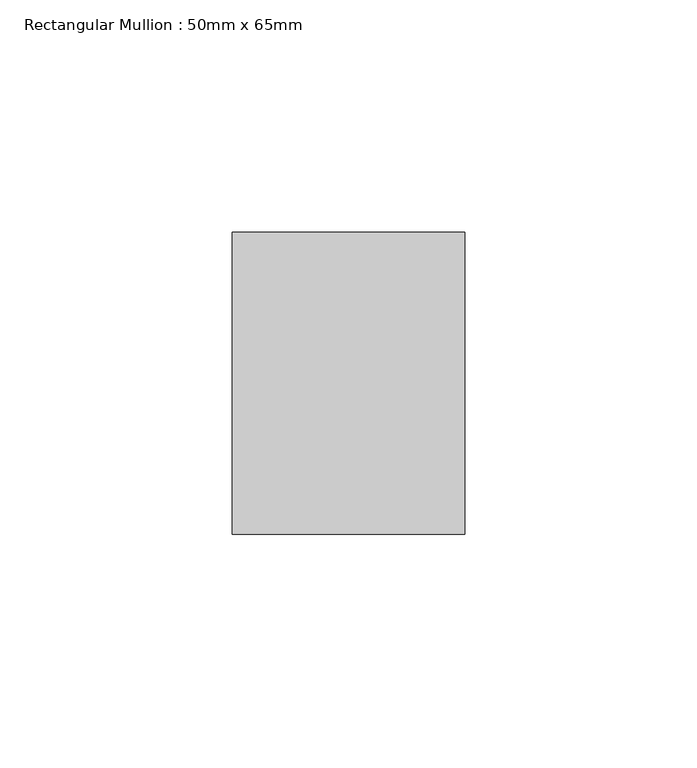
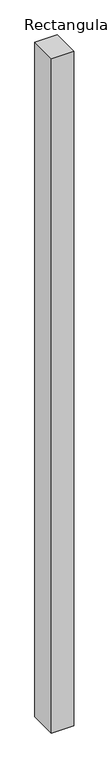
"""IFC4 building model written with IfcOpenShell, lengths in millimetres: member geometry, Rectangular Mullion : 50mm x 65mm."""

from ifc_helpers import new_model, si_unit, frame, origin, place, context, project, spatial, polyline, outline, extrude, source, transform, mapped, element, save


def rectangular_mullion_50mm_x_65mm_e407f663(model_context):
    return source(origin(), model_context, "Body", "SweptSolid", [
        extrude(outline(polyline([(25.0, 32.5), (25.0, -32.5), (-25.0, -32.5), (-25.0, 32.5), (25.0, 32.5)])), frame((0.0, 0.0, -1612.9641493), z_axis=(0.0, 0.0, 1.0), x_axis=(1.0, 0.0, 0.0)), (0.0, 0.0, 1.0), 1612.9641493),
    ])


if __name__ == "__main__":
    model = new_model("IFC4")
    model_context = context("Model", 3, world=origin())
    ifc_project = project(units=[si_unit("LENGTHUNIT", "METRE", prefix="MILLI")], contexts=[model_context])
    site = spatial("IfcSite", under=ifc_project)
    building = spatial("IfcBuilding", under=site)
    placement = place(None, origin())
    rectangular_mullion_50mm_x_65mm_shape = rectangular_mullion_50mm_x_65mm_e407f663(model_context)
    element("IfcMember", 1, ObjectType="Rectangular Mullion : 50mm x 65mm", at=placement, inside=building, context=model_context, shape_type="MappedRepresentation", body=[
        mapped(rectangular_mullion_50mm_x_65mm_shape, transform((0.0, 0.0, 0.0), x_axis=(1.0, 0.0, 0.0), y_axis=(0.0, 1.0, 0.0), z_axis=(0.0, 0.0, 1.0))),
    ])
    save(model, "model.ifc")
